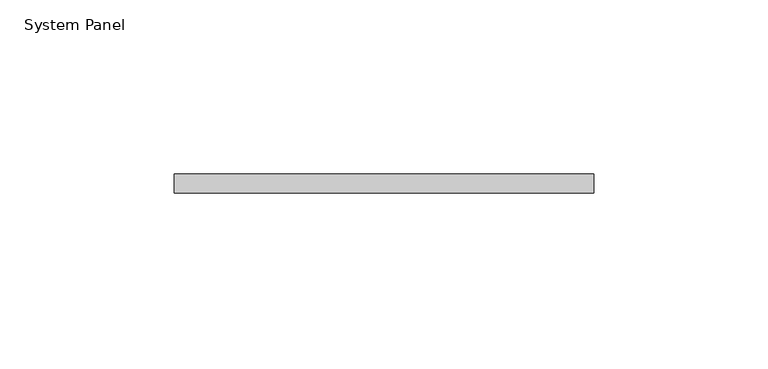
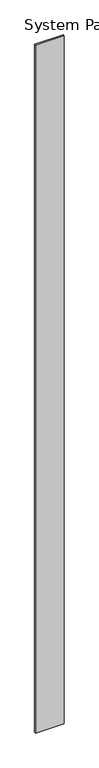
"""IFC4 building model written with IfcOpenShell, lengths in millimetres: plate geometry, System Panel."""

import ifcopenshell
import ifcopenshell.guid

model = None  # the IFC model being written
_history = None  # IfcOwnerHistory: only IFC2X3 demands one
_inside = {}  # id of a spatial element -> (the spatial element, [elements in it])
_under = {}  # id of a project, library or spatial element -> (it, [spatial elements below it])
_declared = {}  # id of a project -> (the project, [libraries it declares])
_typed = {}  # id of a type object -> (the type object, [elements of that type])
_made_of = {}  # id of a material, layer set ... -> (it, [elements and type objects made of it])


def new_model(schema):
    """Start an empty IFC model of exactly this schema.

    Asked for "IFC4X3", IfcOpenShell would pick the latest addendum, in which some entities
    have other attributes; the version numbers below select the first issue.
    IFC2X3 requires an IfcOwnerHistory on every rooted entity: one is made here for all.
    """
    global model, _history
    if schema == "IFC4X3":
        model = ifcopenshell.file(schema_version=(4, 3, 0, 0))
    else:
        model = ifcopenshell.file(schema=schema)
    _inside.clear()
    _under.clear()
    _declared.clear()
    _typed.clear()
    _made_of.clear()
    _history = None
    if model.schema == "IFC2X3":
        org = make("IfcOrganization", Name="unknown")
        user = make(
            "IfcPersonAndOrganization",
            ThePerson=make("IfcPerson", FamilyName="unknown"),
            TheOrganization=org,
        )
        app = make(
            "IfcApplication",
            ApplicationDeveloper=org,
            Version="unknown",
            ApplicationFullName="unknown",
            ApplicationIdentifier="unknown",
        )
        _history = make(
            "IfcOwnerHistory",
            OwningUser=user,
            OwningApplication=app,
            ChangeAction="ADDED",
            CreationDate=0,
        )
    return model


def make(cls, **values):
    """One entity of the class cls with the attributes given. An attribute that is None is left unset."""
    return model.create_entity(
        cls, **{name: value for name, value in values.items() if value is not None}
    )


def rooted(cls, **values):
    """An entity with a GlobalId (a new one), such as an element, a storey or a relation."""
    return make(cls, GlobalId=ifcopenshell.guid.new(), OwnerHistory=_history, **values)


def si_unit(unit_type, name, prefix=None):
    """IfcSIUnit, for example si_unit("LENGTHUNIT", "METRE", prefix="MILLI")."""
    return make("IfcSIUnit", UnitType=unit_type, Prefix=prefix, Name=name)


def assignment(units):
    """IfcUnitAssignment: the units of a project."""
    return None if units is None else make("IfcUnitAssignment", Units=units)


def point(xyz):
    """IfcCartesianPoint."""
    return None if xyz is None else make("IfcCartesianPoint", Coordinates=xyz)


def direction(xyz):
    """IfcDirection."""
    return None if xyz is None else make("IfcDirection", DirectionRatios=xyz)


def frame(location, z_axis=None, x_axis=None):
    """IfcAxis2Placement3D, a coordinate frame: its origin and axes. An axis left out is left unset."""
    return make(
        "IfcAxis2Placement3D",
        Location=point(location),
        Axis=direction(z_axis),
        RefDirection=direction(x_axis),
    )


def origin():
    """The frame at (0, 0, 0) with its axes left unset."""
    return frame((0.0, 0.0, 0.0))


def origin_with_axes():
    """The frame at (0, 0, 0) with the z axis (0, 0, 1) and the x axis (1, 0, 0) written out."""
    return frame((0.0, 0.0, 0.0), z_axis=(0.0, 0.0, 1.0), x_axis=(1.0, 0.0, 0.0))


def place(relative_to, where):
    """IfcLocalPlacement: puts the frame where relative to a parent placement (None: the world)."""
    return make(
        "IfcLocalPlacement", PlacementRelTo=relative_to, RelativePlacement=where
    )


def context(
    kind, dimensions, precision=None, world=None, true_north=None, identifier=None
):
    """IfcGeometricRepresentationContext, for example the 3D "Model" context."""
    return make(
        "IfcGeometricRepresentationContext",
        ContextIdentifier=identifier,
        ContextType=kind,
        CoordinateSpaceDimension=dimensions,
        Precision=precision,
        WorldCoordinateSystem=world,
        TrueNorth=true_north,
    )


def project(units=None, contexts=None):
    """IfcProject with its units and contexts."""
    return rooted(
        "IfcProject",
        Name="project",
        RepresentationContexts=contexts,
        UnitsInContext=assignment(units),
    )


def spatial(cls, under=None, at=None, **own):
    """A site, building, storey or space (cls), placed at a placement, below another one or the project."""
    s = rooted(cls, ObjectPlacement=at, **own)
    if under is not None:
        _under.setdefault(under.id(), (under, []))[1].append(s)
    return s


def polyline(points):
    """IfcPolyline through the points."""
    return make("IfcPolyline", Points=[point(p) for p in points])


def outline(outer, holes=None, kind="AREA"):
    """IfcArbitraryClosedProfileDef: a profile drawn as a closed curve; with holes, ...WithVoids."""
    if holes is None:
        return make("IfcArbitraryClosedProfileDef", ProfileType=kind, OuterCurve=outer)
    return make(
        "IfcArbitraryProfileDefWithVoids",
        ProfileType=kind,
        OuterCurve=outer,
        InnerCurves=holes,
    )


def extrude(swept, where, along, depth):
    """IfcExtrudedAreaSolid: the profile swept, set in the frame where, extruded along a direction by depth."""
    return make(
        "IfcExtrudedAreaSolid",
        SweptArea=swept,
        Position=where,
        ExtrudedDirection=direction(along),
        Depth=depth,
    )


def shape(context_of_items, identifier, shape_type, items):
    """IfcShapeRepresentation: the items that make up one representation, for example the "Body"."""
    return make(
        "IfcShapeRepresentation",
        ContextOfItems=context_of_items,
        RepresentationIdentifier=identifier,
        RepresentationType=shape_type,
        Items=items,
    )


def source(mapping_origin, context_of_items, identifier, shape_type, items):
    """IfcRepresentationMap: a shape defined once, which mapped items show again and again."""
    return make(
        "IfcRepresentationMap",
        MappingOrigin=mapping_origin,
        MappedRepresentation=shape(context_of_items, identifier, shape_type, items),
    )


def transform(
    local_origin,
    x_axis=None,
    y_axis=None,
    z_axis=None,
    scale=None,
    scale2=None,
    scale3=None,
    uniform=True,
):
    """IfcCartesianTransformationOperator3D, or its non-uniform kind. x_axis, y_axis, z_axis: its Axis1, 2, 3."""
    if uniform:
        return make(
            "IfcCartesianTransformationOperator3D",
            Axis1=direction(x_axis),
            Axis2=direction(y_axis),
            LocalOrigin=point(local_origin),
            Scale=scale,
            Axis3=direction(z_axis),
        )
    return make(
        "IfcCartesianTransformationOperator3DnonUniform",
        Axis1=direction(x_axis),
        Axis2=direction(y_axis),
        LocalOrigin=point(local_origin),
        Scale=scale,
        Axis3=direction(z_axis),
        Scale2=scale2,
        Scale3=scale3,
    )


def mapped(mapping_source, mapping_target):
    """IfcMappedItem: shows the shape of a source again, moved by a transform."""
    return make(
        "IfcMappedItem", MappingSource=mapping_source, MappingTarget=mapping_target
    )


def made_of(thing, what):
    """Note that an element or type object is made of a material, layer set ...; save() writes the relation."""
    if what is not None:
        _made_of.setdefault(what.id(), (what, []))[1].append(thing)
    return thing


def element(
    cls,
    number,
    at=None,
    inside=None,
    cuts=None,
    type_object=None,
    material=None,
    context=None,
    identifier="Body",
    shape_type=None,
    held_by="IfcProductDefinitionShape",
    body=None,
    shapes=None,
    **own,
):
    """One element of the class cls, such as IfcWall. Its Tag is "e" and its number.

    at: its placement. inside: the storey or other place that contains it. cuts: it is an
    opening in that element (IfcRelVoidsElement). A single representation is given by context,
    identifier, shape_type and body (its items); several are given by shapes. held_by: the class
    of the entity that holds the representations. save() writes the other relations.
    """
    e = rooted(cls, Tag="e%d" % number, ObjectPlacement=at, **own)
    if body is not None:
        shapes = [shape(context, identifier, shape_type, body)]
    if shapes is not None:
        e.Representation = make(held_by, Representations=shapes)
    if inside is not None:
        _inside.setdefault(inside.id(), (inside, []))[1].append(e)
    if cuts is not None:
        rooted(
            "IfcRelVoidsElement", RelatingBuildingElement=cuts, RelatedOpeningElement=e
        )
    if type_object is not None:
        _typed.setdefault(type_object.id(), (type_object, []))[1].append(e)
    return made_of(e, material)


def aggregate(whole, parts):
    """IfcRelAggregates: a whole, such as a stair, and the parts it consists of."""
    return rooted("IfcRelAggregates", RelatingObject=whole, RelatedObjects=parts)


def save(model, path):
    """Write the relations noted so far, then the file.

    IfcRelAggregates (storeys below a building ...), IfcRelContainedInSpatialStructure (elements
    in a storey), IfcRelDefinesByType, IfcRelAssociatesMaterial and IfcRelDeclares: one each for
    every whole, place, type object, material and project.
    """
    for whole, parts in _under.values():
        aggregate(whole, parts)
    for where, things in _inside.values():
        rooted(
            "IfcRelContainedInSpatialStructure",
            RelatedElements=things,
            RelatingStructure=where,
        )
    for kind, things in _typed.values():
        rooted("IfcRelDefinesByType", RelatedObjects=things, RelatingType=kind)
    for what, things in _made_of.values():
        rooted("IfcRelAssociatesMaterial", RelatedObjects=things, RelatingMaterial=what)
    for by, libraries in _declared.values():
        rooted("IfcRelDeclares", RelatingContext=by, RelatedDefinitions=libraries)
    model.write(path)


def system_panel_d83ec277(model_context):
    return source(origin(), model_context, "Body", "SweptSolid", [
        extrude(outline(polyline([(60.325, 0.0), (-60.325, 0.0), (-60.325, 5.55625), (60.325, 5.55625), (60.325, 0.0)])), origin_with_axes(), (0.0, 0.0, 1.0), 3048.0),
    ])


if __name__ == "__main__":
    model = new_model("IFC4")
    model_context = context("Model", 3, world=origin())
    ifc_project = project(units=[si_unit("LENGTHUNIT", "METRE", prefix="MILLI")], contexts=[model_context])
    site = spatial("IfcSite", under=ifc_project)
    building = spatial("IfcBuilding", under=site)
    placement = place(None, origin())
    system_panel_shape = system_panel_d83ec277(model_context)
    element("IfcPlate", 1, ObjectType="System Panel", at=placement, inside=building, context=model_context, shape_type="MappedRepresentation", body=[
        mapped(system_panel_shape, transform((0.0, 0.0, 0.0), x_axis=(1.0, 0.0, 0.0), y_axis=(0.0, 1.0, 0.0), z_axis=(0.0, 0.0, 1.0))),
    ])
    save(model, "model.ifc")
